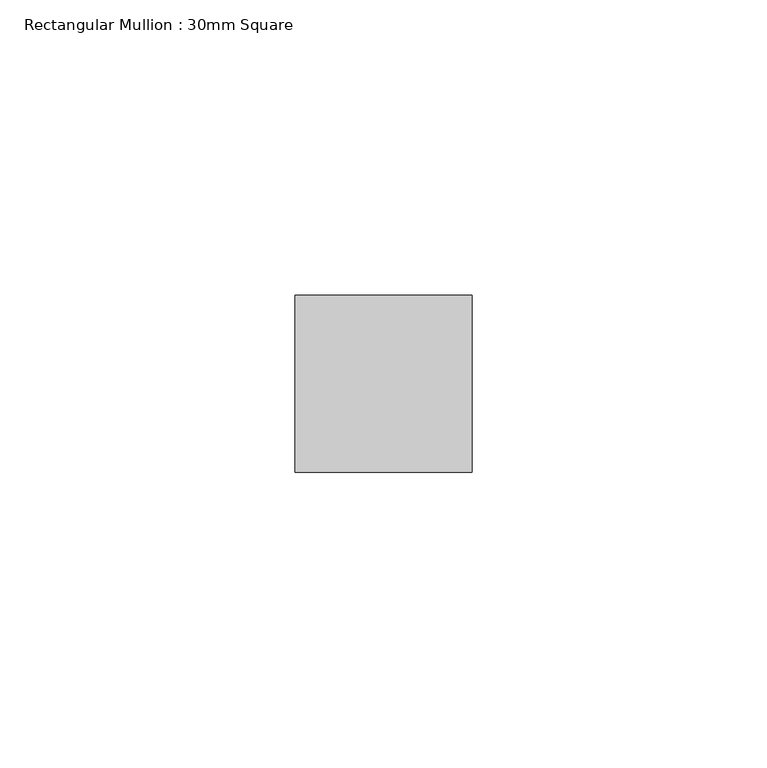
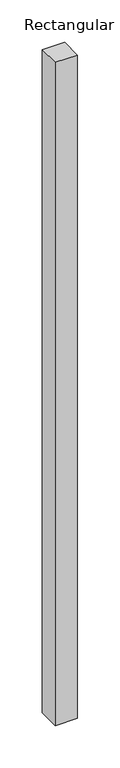
"""IFC4 building model written with IfcOpenShell, lengths in millimetres: member geometry, Rectangular Mullion : 30mm Square."""

from ifc_helpers import new_model, si_unit, frame, origin, place, context, project, spatial, polyline, outline, extrude, source, transform, mapped, element, save


def rectangular_mullion_30mm_square_7ee2decc(model_context):
    return source(origin(), model_context, "Body", "SweptSolid", [
        extrude(outline(polyline([(0.0, 15.0), (0.0, -15.0), (-30.0, -15.0), (-30.0, 15.0), (0.0, 15.0)])), frame((0.0, 0.0, -952.2613633), z_axis=(0.0, 0.0, 1.0), x_axis=(1.0, 0.0, 0.0)), (0.0, 0.0, 1.0), 952.2613633),
    ])


if __name__ == "__main__":
    model = new_model("IFC4")
    model_context = context("Model", 3, world=origin())
    ifc_project = project(units=[si_unit("LENGTHUNIT", "METRE", prefix="MILLI")], contexts=[model_context])
    site = spatial("IfcSite", under=ifc_project)
    building = spatial("IfcBuilding", under=site)
    placement = place(None, origin())
    rectangular_mullion_30mm_square_shape = rectangular_mullion_30mm_square_7ee2decc(model_context)
    element("IfcMember", 1, ObjectType="Rectangular Mullion : 30mm Square", at=placement, inside=building, context=model_context, shape_type="MappedRepresentation", body=[
        mapped(rectangular_mullion_30mm_square_shape, transform((0.0, 0.0, 0.0), x_axis=(1.0, 0.0, 0.0), y_axis=(0.0, 1.0, 0.0), z_axis=(0.0, 0.0, 1.0))),
    ])
    save(model, "model.ifc")
